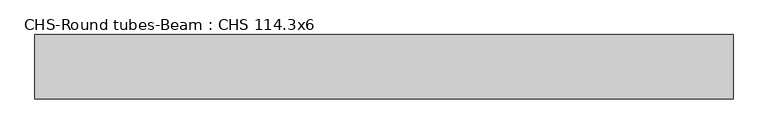
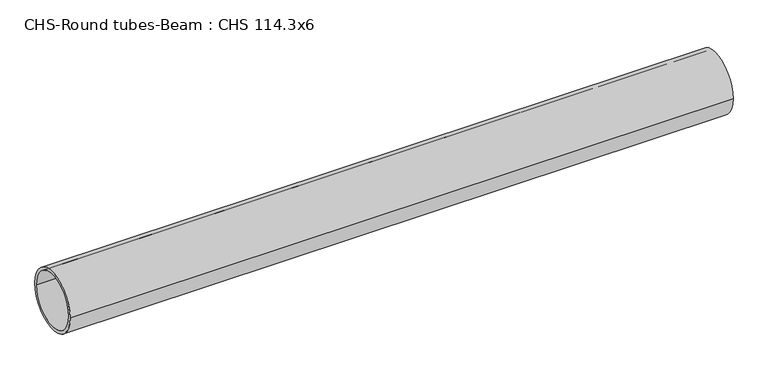
"""IFC4 building model written with IfcOpenShell, lengths in millimetres: beam geometry, CHS-Round tubes-Beam : CHS 114.3x6."""

from ifc_helpers import new_model, si_unit, point, frame, origin, origin_2d, place, context, project, spatial, circle_curve, trimmed, segment, composite_curve, outline, extrude, source, transform, mapped, element, save


def chs_round_tubes_beam_chs_114_3x6_cc4e4bfd(model_context):
    return source(origin(), model_context, "Body", "SweptSolid", [
        extrude(outline(composite_curve([segment(trimmed(circle_curve(origin_2d(), 57.15), [point((57.15, 0.0))], [point((-57.15, 0.0))], False, "CARTESIAN"), True, "CONTINUOUS"), segment(trimmed(circle_curve(origin_2d(), 57.15), [point((-57.15, 0.0))], [point((57.15, 0.0))], False, "CARTESIAN"), True, "CONTINUOUS")], self_intersect=False), holes=[composite_curve([segment(trimmed(circle_curve(origin_2d(), 51.15), [point((51.15, 0.0))], [point((-51.15, 0.0))], True, "CARTESIAN"), True, "CONTINUOUS"), segment(trimmed(circle_curve(origin_2d(), 51.15), [point((-51.15, 0.0))], [point((51.15, 0.0))], True, "CARTESIAN"), True, "CONTINUOUS")], self_intersect=False)]), frame((-620.0434134, 0.0, 0.0), z_axis=(1.0, 0.0, 0.0), x_axis=(0.0, 1.0, 0.0)), (0.0, 0.0, 1.0), 1240.0893457),
    ])


if __name__ == "__main__":
    model = new_model("IFC4")
    model_context = context("Model", 3, world=origin())
    ifc_project = project(units=[si_unit("LENGTHUNIT", "METRE", prefix="MILLI")], contexts=[model_context])
    site = spatial("IfcSite", under=ifc_project)
    building = spatial("IfcBuilding", under=site)
    placement = place(None, origin())
    chs_round_tubes_beam_chs_114_3x6_shape = chs_round_tubes_beam_chs_114_3x6_cc4e4bfd(model_context)
    element("IfcBeam", 1, ObjectType="CHS-Round tubes-Beam : CHS 114.3x6", at=placement, inside=building, context=model_context, shape_type="MappedRepresentation", body=[
        mapped(chs_round_tubes_beam_chs_114_3x6_shape, transform((0.0, 0.0, 0.0), x_axis=(1.0, 0.0, 0.0), y_axis=(0.0, 1.0, 0.0), z_axis=(0.0, 0.0, 1.0))),
    ])
    save(model, "model.ifc")
